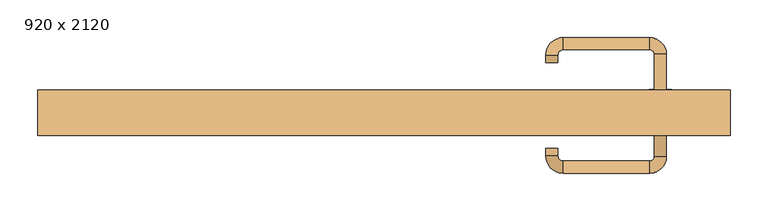
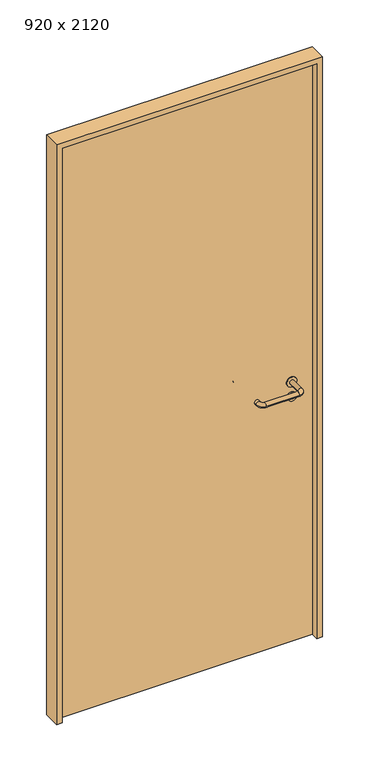
"""IFC4 building model written with IfcOpenShell, lengths in millimetres: door geometry, 920 x 2120."""

import ifcopenshell
import ifcopenshell.guid

model = None  # the IFC model being written
_history = None  # IfcOwnerHistory: only IFC2X3 demands one
_inside = {}  # id of a spatial element -> (the spatial element, [elements in it])
_under = {}  # id of a project, library or spatial element -> (it, [spatial elements below it])
_declared = {}  # id of a project -> (the project, [libraries it declares])
_typed = {}  # id of a type object -> (the type object, [elements of that type])
_made_of = {}  # id of a material, layer set ... -> (it, [elements and type objects made of it])


def new_model(schema):
    """Start an empty IFC model of exactly this schema.

    Asked for "IFC4X3", IfcOpenShell would pick the latest addendum, in which some entities
    have other attributes; the version numbers below select the first issue.
    IFC2X3 requires an IfcOwnerHistory on every rooted entity: one is made here for all.
    """
    global model, _history
    if schema == "IFC4X3":
        model = ifcopenshell.file(schema_version=(4, 3, 0, 0))
    else:
        model = ifcopenshell.file(schema=schema)
    _inside.clear()
    _under.clear()
    _declared.clear()
    _typed.clear()
    _made_of.clear()
    _history = None
    if model.schema == "IFC2X3":
        org = make("IfcOrganization", Name="unknown")
        user = make(
            "IfcPersonAndOrganization",
            ThePerson=make("IfcPerson", FamilyName="unknown"),
            TheOrganization=org,
        )
        app = make(
            "IfcApplication",
            ApplicationDeveloper=org,
            Version="unknown",
            ApplicationFullName="unknown",
            ApplicationIdentifier="unknown",
        )
        _history = make(
            "IfcOwnerHistory",
            OwningUser=user,
            OwningApplication=app,
            ChangeAction="ADDED",
            CreationDate=0,
        )
    return model


def make(cls, **values):
    """One entity of the class cls with the attributes given. An attribute that is None is left unset."""
    return model.create_entity(
        cls, **{name: value for name, value in values.items() if value is not None}
    )


def rooted(cls, **values):
    """An entity with a GlobalId (a new one), such as an element, a storey or a relation."""
    return make(cls, GlobalId=ifcopenshell.guid.new(), OwnerHistory=_history, **values)


def si_unit(unit_type, name, prefix=None):
    """IfcSIUnit, for example si_unit("LENGTHUNIT", "METRE", prefix="MILLI")."""
    return make("IfcSIUnit", UnitType=unit_type, Prefix=prefix, Name=name)


def assignment(units):
    """IfcUnitAssignment: the units of a project."""
    return None if units is None else make("IfcUnitAssignment", Units=units)


def point(xyz):
    """IfcCartesianPoint."""
    return None if xyz is None else make("IfcCartesianPoint", Coordinates=xyz)


def direction(xyz):
    """IfcDirection."""
    return None if xyz is None else make("IfcDirection", DirectionRatios=xyz)


def frame(location, z_axis=None, x_axis=None):
    """IfcAxis2Placement3D, a coordinate frame: its origin and axes. An axis left out is left unset."""
    return make(
        "IfcAxis2Placement3D",
        Location=point(location),
        Axis=direction(z_axis),
        RefDirection=direction(x_axis),
    )


def frame_2d(location, x_axis=None):
    """IfcAxis2Placement2D, a coordinate frame in the plane: its origin and x axis."""
    return make(
        "IfcAxis2Placement2D", Location=point(location), RefDirection=direction(x_axis)
    )


def origin():
    """The frame at (0, 0, 0) with its axes left unset."""
    return frame((0.0, 0.0, 0.0))


def origin_with_axes():
    """The frame at (0, 0, 0) with the z axis (0, 0, 1) and the x axis (1, 0, 0) written out."""
    return frame((0.0, 0.0, 0.0), z_axis=(0.0, 0.0, 1.0), x_axis=(1.0, 0.0, 0.0))


def place(relative_to, where):
    """IfcLocalPlacement: puts the frame where relative to a parent placement (None: the world)."""
    return make(
        "IfcLocalPlacement", PlacementRelTo=relative_to, RelativePlacement=where
    )


def context(
    kind, dimensions, precision=None, world=None, true_north=None, identifier=None
):
    """IfcGeometricRepresentationContext, for example the 3D "Model" context."""
    return make(
        "IfcGeometricRepresentationContext",
        ContextIdentifier=identifier,
        ContextType=kind,
        CoordinateSpaceDimension=dimensions,
        Precision=precision,
        WorldCoordinateSystem=world,
        TrueNorth=true_north,
    )


def project(units=None, contexts=None):
    """IfcProject with its units and contexts."""
    return rooted(
        "IfcProject",
        Name="project",
        RepresentationContexts=contexts,
        UnitsInContext=assignment(units),
    )


def spatial(cls, under=None, at=None, **own):
    """A site, building, storey or space (cls), placed at a placement, below another one or the project."""
    s = rooted(cls, ObjectPlacement=at, **own)
    if under is not None:
        _under.setdefault(under.id(), (under, []))[1].append(s)
    return s


def polyline(points):
    """IfcPolyline through the points."""
    return make("IfcPolyline", Points=[point(p) for p in points])


def circle_curve(where, radius):
    """IfcCircle in the frame where."""
    return make("IfcCircle", Position=where, Radius=radius)


def ellipse_curve(where, semi_axis1, semi_axis2):
    """IfcEllipse in the frame where."""
    return make(
        "IfcEllipse", Position=where, SemiAxis1=semi_axis1, SemiAxis2=semi_axis2
    )


def trimmed(basis, trim1, trim2, sense, master):
    """IfcTrimmedCurve: the piece of a basis curve between two trims."""
    return make(
        "IfcTrimmedCurve",
        BasisCurve=basis,
        Trim1=trim1,
        Trim2=trim2,
        SenseAgreement=sense,
        MasterRepresentation=master,
    )


def segment(curve, same_sense, transition):
    """IfcCompositeCurveSegment."""
    return make(
        "IfcCompositeCurveSegment",
        Transition=transition,
        SameSense=same_sense,
        ParentCurve=curve,
    )


def composite_curve(segments, self_intersect=None):
    """IfcCompositeCurve: segments joined end to end."""
    return make("IfcCompositeCurve", Segments=segments, SelfIntersect=self_intersect)


def outline(outer, holes=None, kind="AREA"):
    """IfcArbitraryClosedProfileDef: a profile drawn as a closed curve; with holes, ...WithVoids."""
    if holes is None:
        return make("IfcArbitraryClosedProfileDef", ProfileType=kind, OuterCurve=outer)
    return make(
        "IfcArbitraryProfileDefWithVoids",
        ProfileType=kind,
        OuterCurve=outer,
        InnerCurves=holes,
    )


def extrude(swept, where, along, depth):
    """IfcExtrudedAreaSolid: the profile swept, set in the frame where, extruded along a direction by depth."""
    return make(
        "IfcExtrudedAreaSolid",
        SweptArea=swept,
        Position=where,
        ExtrudedDirection=direction(along),
        Depth=depth,
    )


def shape(context_of_items, identifier, shape_type, items):
    """IfcShapeRepresentation: the items that make up one representation, for example the "Body"."""
    return make(
        "IfcShapeRepresentation",
        ContextOfItems=context_of_items,
        RepresentationIdentifier=identifier,
        RepresentationType=shape_type,
        Items=items,
    )


def source(mapping_origin, context_of_items, identifier, shape_type, items):
    """IfcRepresentationMap: a shape defined once, which mapped items show again and again."""
    return make(
        "IfcRepresentationMap",
        MappingOrigin=mapping_origin,
        MappedRepresentation=shape(context_of_items, identifier, shape_type, items),
    )


def transform(
    local_origin,
    x_axis=None,
    y_axis=None,
    z_axis=None,
    scale=None,
    scale2=None,
    scale3=None,
    uniform=True,
):
    """IfcCartesianTransformationOperator3D, or its non-uniform kind. x_axis, y_axis, z_axis: its Axis1, 2, 3."""
    if uniform:
        return make(
            "IfcCartesianTransformationOperator3D",
            Axis1=direction(x_axis),
            Axis2=direction(y_axis),
            LocalOrigin=point(local_origin),
            Scale=scale,
            Axis3=direction(z_axis),
        )
    return make(
        "IfcCartesianTransformationOperator3DnonUniform",
        Axis1=direction(x_axis),
        Axis2=direction(y_axis),
        LocalOrigin=point(local_origin),
        Scale=scale,
        Axis3=direction(z_axis),
        Scale2=scale2,
        Scale3=scale3,
    )


def mapped(mapping_source, mapping_target):
    """IfcMappedItem: shows the shape of a source again, moved by a transform."""
    return make(
        "IfcMappedItem", MappingSource=mapping_source, MappingTarget=mapping_target
    )


def made_of(thing, what):
    """Note that an element or type object is made of a material, layer set ...; save() writes the relation."""
    if what is not None:
        _made_of.setdefault(what.id(), (what, []))[1].append(thing)
    return thing


def element(
    cls,
    number,
    at=None,
    inside=None,
    cuts=None,
    type_object=None,
    material=None,
    context=None,
    identifier="Body",
    shape_type=None,
    held_by="IfcProductDefinitionShape",
    body=None,
    shapes=None,
    **own,
):
    """One element of the class cls, such as IfcWall. Its Tag is "e" and its number.

    at: its placement. inside: the storey or other place that contains it. cuts: it is an
    opening in that element (IfcRelVoidsElement). A single representation is given by context,
    identifier, shape_type and body (its items); several are given by shapes. held_by: the class
    of the entity that holds the representations. save() writes the other relations.
    """
    e = rooted(cls, Tag="e%d" % number, ObjectPlacement=at, **own)
    if body is not None:
        shapes = [shape(context, identifier, shape_type, body)]
    if shapes is not None:
        e.Representation = make(held_by, Representations=shapes)
    if inside is not None:
        _inside.setdefault(inside.id(), (inside, []))[1].append(e)
    if cuts is not None:
        rooted(
            "IfcRelVoidsElement", RelatingBuildingElement=cuts, RelatedOpeningElement=e
        )
    if type_object is not None:
        _typed.setdefault(type_object.id(), (type_object, []))[1].append(e)
    return made_of(e, material)


def aggregate(whole, parts):
    """IfcRelAggregates: a whole, such as a stair, and the parts it consists of."""
    return rooted("IfcRelAggregates", RelatingObject=whole, RelatedObjects=parts)


def save(model, path):
    """Write the relations noted so far, then the file.

    IfcRelAggregates (storeys below a building ...), IfcRelContainedInSpatialStructure (elements
    in a storey), IfcRelDefinesByType, IfcRelAssociatesMaterial and IfcRelDeclares: one each for
    every whole, place, type object, material and project.
    """
    for whole, parts in _under.values():
        aggregate(whole, parts)
    for where, things in _inside.values():
        rooted(
            "IfcRelContainedInSpatialStructure",
            RelatedElements=things,
            RelatingStructure=where,
        )
    for kind, things in _typed.values():
        rooted("IfcRelDefinesByType", RelatedObjects=things, RelatingType=kind)
    for what, things in _made_of.values():
        rooted("IfcRelAssociatesMaterial", RelatedObjects=things, RelatingMaterial=what)
    for by, libraries in _declared.values():
        rooted("IfcRelDeclares", RelatingContext=by, RelatedDefinitions=libraries)
    model.write(path)


def plane_surface(at):
    """IfcPlane: the flat surface through the origin of the frame at, square to its z axis."""
    return make("IfcPlane", Position=at)


def cylinder_surface(at, radius):
    """IfcCylindricalSurface: all points at the distance radius from the z axis of the frame at."""
    return make("IfcCylindricalSurface", Position=at, Radius=radius)


def revolved_surface(curve, axis_point, axis_direction):
    """IfcSurfaceOfRevolution: the curve turned about the line through axis_point along axis_direction."""
    return make(
        "IfcSurfaceOfRevolution",
        SweptCurve=make("IfcArbitraryOpenProfileDef", ProfileType="CURVE", Curve=curve),
        AxisPosition=make("IfcAxis1Placement", Location=point(axis_point), Axis=direction(axis_direction)),
    )


def advanced_brep(points, edges, surfaces, faces):
    """IfcAdvancedBrep: a solid bounded by faces that lie on surfaces and meet in shared edges.

    An edge is (start, end): straight between two places in points (the first is 0);
    or (start, end, curve); or (start, end, curve, False) where it runs against its curve.
    A face is (place in surfaces, loops), or (place, loops, False) where it looks against
    its surface's normal. A loop lists edges by number (the first is 1), with a minus sign
    where the edge is run from its end to its start. The first loop is the outer one.
    """
    corners = [point(p) for p in points]
    vertices = [make("IfcVertexPoint", VertexGeometry=c) for c in corners]
    made = []
    for start, end, *more in edges:
        made.append(
            make(
                "IfcEdgeCurve",
                EdgeStart=vertices[start],
                EdgeEnd=vertices[end],
                EdgeGeometry=more[0] if more else make("IfcPolyline", Points=[corners[start], corners[end]]),
                SameSense=more[1] if len(more) > 1 else True,
            )
        )
    hull = []
    for where, loops, *sense in faces:
        bounds = []
        for j, loop in enumerate(loops):
            ring = [make("IfcOrientedEdge", EdgeElement=made[abs(k) - 1], Orientation=k > 0) for k in loop]
            bounds.append(
                make(
                    "IfcFaceOuterBound" if j == 0 else "IfcFaceBound",
                    Bound=make("IfcEdgeLoop", EdgeList=ring),
                    Orientation=True,
                )
            )
        hull.append(make("IfcAdvancedFace", Bounds=bounds, FaceSurface=surfaces[where], SameSense=sense[0] if sense else True))
    return make("IfcAdvancedBrep", Outer=make("IfcClosedShell", CfsFaces=hull))


def door_920_x_2120_8991877b(model_context):
    return source(origin(), model_context, "Body", "SolidModel", [
        extrude(outline(composite_curve([segment(trimmed(circle_curve(frame_2d((897.3605726, 367.0)), 15.0), [point((897.3605726, 382.0))], [point((897.3605726, 352.0))], False, "CARTESIAN"), True, "CONTINUOUS"), segment(trimmed(circle_curve(frame_2d((897.3605726, 367.0)), 15.0), [point((897.3605726, 352.0))], [point((897.3605726, 382.0))], False, "CARTESIAN"), True, "CONTINUOUS")], self_intersect=False), holes=[composite_curve([segment(trimmed(circle_curve(frame_2d((892.5833211, 366.9398032)), 2.0), [point((892.5833211, 368.9398032))], [point((892.5833211, 364.9398032))], True, "CARTESIAN"), True, "CONTINUOUS"), segment(polyline([(892.5833211, 364.9398032), (902.5833211, 364.9398032)]), True, "CONTINUOUS"), segment(trimmed(circle_curve(frame_2d((902.5833211, 366.9398032)), 2.0), [point((902.5833211, 364.9398032))], [point((902.5833211, 368.9398032))], True, "CARTESIAN"), True, "CONTINUOUS"), segment(polyline([(902.5833211, 368.9398032), (892.5833211, 368.9398032)]), True, "CONTINUOUS")], self_intersect=False)]), frame((0.0, 93.65, 0.0), z_axis=(0.0, 1.0, 0.0), x_axis=(0.0, 0.0, 1.0)), (0.0, 0.0, 1.0), 6.35),
        extrude(outline(composite_curve([segment(trimmed(circle_curve(frame_2d((950.0, 367.0)), 17.526), [point((950.0, 384.526))], [point((950.0, 349.474))], False, "CARTESIAN"), True, "CONTINUOUS"), segment(trimmed(circle_curve(frame_2d((950.0, 367.0)), 17.526), [point((950.0, 349.474))], [point((950.0, 384.526))], False, "CARTESIAN"), True, "CONTINUOUS")], self_intersect=False)), frame((0.0, 96.825, 0.0), z_axis=(0.0, 1.0, 0.0), x_axis=(0.0, 0.0, 1.0)), (0.0, 0.0, 1.0), 3.175),
        advanced_brep(
        [(375.0, 100.0, 950.0), (359.0, 100.0, 950.0), (359.0, 47.0, 950.0), (375.0, 47.0, 950.0), (352.8578644, 40.8578644, 950.0), (352.8578644, 24.8578644, 950.0), (237.8578644, 40.8578644, 950.0), (237.8578644, 24.8578644, 950.0), (231.008622, 47.7071068, 950.0), (215.008622, 47.7071068, 950.0), (215.008622, 57.7071068, 950.0), (231.008622, 57.7071068, 950.0)],
        [
            (0, 1, circle_curve(frame((367.0, 100.0, 950.0), z_axis=(0.0, 1.0, 0.0), x_axis=(-1.0, 0.0, 0.0)), 8.0)),
            (1, 0, circle_curve(frame((367.0, 100.0, 950.0), z_axis=(0.0, 1.0, 0.0), x_axis=(-1.0, 0.0, 0.0)), 8.0)),
            (1, 2),
            (2, 3, circle_curve(frame((367.0, 47.0, 950.0), z_axis=(0.0, 1.0, 0.0), x_axis=(-1.0, 0.0, 0.0)), 8.0)),
            (3, 0),
            (3, 2, circle_curve(frame((367.0, 47.0, 950.0), z_axis=(0.0, 1.0, 0.0), x_axis=(-1.0, 0.0, 0.0)), 8.0)),
            (4, 5, circle_curve(frame((352.8578644, 32.8578644, 950.0), z_axis=(1.0, 0.0, 0.0), x_axis=(0.0, 1.0, 0.0)), 8.0)),
            (5, 3, circle_curve(frame((352.8578644, 47.0, 950.0), z_axis=(0.0, 0.0, 1.0), x_axis=(1.0, 0.0, 0.0)), 22.1421356)),
            (2, 4, circle_curve(frame((352.8578644, 47.0, 950.0), z_axis=(0.0, 0.0, -1.0), x_axis=(1.0, 0.0, 0.0)), 6.1421356)),
            (5, 4, circle_curve(frame((352.8578644, 32.8578644, 950.0), z_axis=(1.0, 0.0, 0.0), x_axis=(0.0, 1.0, 0.0)), 8.0)),
            (4, 6),
            (6, 7, circle_curve(frame((237.8578644, 32.8578644, 950.0), z_axis=(1.0, 0.0, 0.0), x_axis=(0.0, 1.0, 0.0)), 8.0)),
            (7, 5),
            (7, 6, circle_curve(frame((237.8578644, 32.8578644, 950.0), z_axis=(1.0, 0.0, 0.0), x_axis=(0.0, 1.0, 0.0)), 8.0)),
            (8, 9, circle_curve(frame((223.008622, 47.7071068, 950.0), z_axis=(0.0, -1.0, 0.0), x_axis=(1.0, 0.0, 0.0)), 8.0)),
            (9, 7, circle_curve(frame((237.8578644, 47.7071068, 950.0), z_axis=(0.0, 0.0, 1.0), x_axis=(0.0, -1.0, 0.0)), 22.8492424)),
            (6, 8, circle_curve(frame((237.8578644, 47.7071068, 950.0), z_axis=(0.0, 0.0, -1.0), x_axis=(0.0, -1.0, 0.0)), 6.8492424)),
            (9, 8, circle_curve(frame((223.008622, 47.7071068, 950.0), z_axis=(0.0, -1.0, 0.0), x_axis=(1.0, 0.0, 0.0)), 8.0)),
            (10, 11, circle_curve(frame((223.008622, 57.7071068, 950.0), z_axis=(0.0, 1.0, 0.0), x_axis=(1.0, 0.0, 0.0)), 8.0)),
            (11, 10, circle_curve(frame((223.008622, 57.7071068, 950.0), z_axis=(0.0, 1.0, 0.0), x_axis=(1.0, 0.0, 0.0)), 8.0)),
            (8, 11),
            (10, 9),
        ],
        [
            plane_surface(frame((367.0, 100.0, 0.0), z_axis=(0.0, 1.0, 0.0), x_axis=(0.0, 0.0, 1.0))),
            cylinder_surface(frame((367.0, 100.0, 950.0), z_axis=(0.0, 1.0, 0.0), x_axis=(-1.0, 0.0, 0.0)), 8.0),
            revolved_surface(trimmed(ellipse_curve(frame((367.0, 47.0, 950.0), z_axis=(0.0, -1.0, 0.0), x_axis=(-1.0, 0.0, 0.0)), 8.0, 8.0), [point((375.0, 47.0, 950.0))], [point((359.0, 47.0, 950.0))], True, "CARTESIAN"), (352.8578644, 47.0, 0.0), (0.0, 0.0, 1.0)),
            revolved_surface(trimmed(ellipse_curve(frame((367.0, 47.0, 950.0), z_axis=(0.0, -1.0, 0.0), x_axis=(-1.0, 0.0, 0.0)), 8.0, 8.0), [point((359.0, 47.0, 950.0))], [point((375.0, 47.0, 950.0))], True, "CARTESIAN"), (352.8578644, 47.0, 0.0), (0.0, 0.0, 1.0)),
            cylinder_surface(frame((352.8578644, 32.8578644, 950.0), z_axis=(1.0, 0.0, 0.0), x_axis=(0.0, 1.0, 0.0)), 8.0),
            revolved_surface(trimmed(ellipse_curve(frame((237.8578644, 32.8578644, 950.0), z_axis=(-1.0, 0.0, 0.0), x_axis=(0.0, 1.0, 0.0)), 8.0, 8.0), [point((237.8578644, 24.8578644, 950.0))], [point((237.8578644, 40.8578644, 950.0))], True, "CARTESIAN"), (237.8578644, 47.7071068, 0.0), (0.0, 0.0, 1.0)),
            revolved_surface(trimmed(ellipse_curve(frame((237.8578644, 32.8578644, 950.0), z_axis=(-1.0, 0.0, 0.0), x_axis=(0.0, 1.0, 0.0)), 8.0, 8.0), [point((237.8578644, 40.8578644, 950.0))], [point((237.8578644, 24.8578644, 950.0))], True, "CARTESIAN"), (237.8578644, 47.7071068, 0.0), (0.0, 0.0, 1.0)),
            plane_surface(frame((223.008622, 57.7071068, 0.0), z_axis=(0.0, 1.0, 0.0), x_axis=(0.0, 0.0, 1.0))),
            cylinder_surface(frame((223.008622, 47.7071068, 950.0), z_axis=(0.0, -1.0, 0.0), x_axis=(1.0, 0.0, 0.0)), 8.0),
        ],
        [
            (0, [[1, 2]]),
            (1, [[3, 4, 5, -2]]),
            (1, [[-5, 6, -3, -1]]),
            (2, [[7, 8, -4, 9]]),
            (3, [[10, -9, -6, -8]]),
            (4, [[11, 12, 13, -7]]),
            (4, [[-13, 14, -11, -10]]),
            (5, [[15, 16, -12, 17]]),
            (6, [[18, -17, -14, -16]]),
            (7, [[19, 20]]),
            (8, [[21, -19, 22, -15]]),
            (8, [[-22, -20, -21, -18]]),
        ],
    ),
        extrude(outline(composite_curve([segment(trimmed(circle_curve(frame_2d((0.0, -15.0)), 15.0), [point((0.0, -30.0))], [point((0.0, 0.0))], False, "CARTESIAN"), True, "CONTINUOUS"), segment(trimmed(circle_curve(frame_2d((0.0, -15.0)), 15.0), [point((0.0, 0.0))], [point((0.0, -30.0))], False, "CARTESIAN"), True, "CONTINUOUS")], self_intersect=False), holes=[composite_curve([segment(trimmed(circle_curve(frame_2d((4.7772515, -14.9398032)), 2.0), [point((4.7772515, -16.9398032))], [point((4.7772515, -12.9398032))], True, "CARTESIAN"), True, "CONTINUOUS"), segment(polyline([(4.7772515, -12.9398032), (-5.2227485, -12.9398032)]), True, "CONTINUOUS"), segment(trimmed(circle_curve(frame_2d((-5.2227485, -14.9398032)), 2.0), [point((-5.2227485, -12.9398032))], [point((-5.2227485, -16.9398032))], True, "CARTESIAN"), True, "CONTINUOUS"), segment(polyline([(-5.2227485, -16.9398032), (4.7772515, -16.9398032)]), True, "CONTINUOUS")], self_intersect=False)]), frame((352.0, 130.0, 897.3605726), z_axis=(1.8870575173328306e-12, 1.0, 0.0), x_axis=(0.0, 0.0, -1.0)), (0.0, 0.0, 1.0), 6.35),
        extrude(outline(composite_curve([segment(trimmed(circle_curve(frame_2d((0.0, -17.526)), 17.526), [point((0.0, -35.052))], [point((0.0, 0.0))], False, "CARTESIAN"), True, "CONTINUOUS"), segment(trimmed(circle_curve(frame_2d((0.0, -17.526)), 17.526), [point((0.0, 0.0))], [point((0.0, -35.052))], False, "CARTESIAN"), True, "CONTINUOUS")], self_intersect=False)), frame((349.474, 130.0, 950.0), z_axis=(1.8870575173328306e-12, 1.0, 0.0), x_axis=(0.0, 0.0, -1.0)), (0.0, 0.0, 1.0), 3.175),
        advanced_brep(
        [(375.0, 130.0, 950.0), (359.0, 130.0, 950.0), (375.0, 183.0, 950.0), (359.0, 183.0, 950.0), (352.8578644, 189.1421356, 950.0), (352.8578644, 205.1421356, 950.0), (237.8578644, 205.1421356, 950.0), (237.8578644, 189.1421356, 950.0), (231.008622, 182.2928932, 950.0), (215.008622, 182.2928932, 950.0), (215.008622, 172.2928932, 950.0), (231.008622, 172.2928932, 950.0)],
        [
            (0, 1, circle_curve(frame((367.0, 130.0, 950.0), z_axis=(-1.888672253512351e-12, -1.0, 0.0), x_axis=(-1.0, 1.888672253512351e-12, 0.0)), 8.0)),
            (1, 0, circle_curve(frame((367.0, 130.0, 950.0), z_axis=(-1.888672253512351e-12, -1.0, 0.0), x_axis=(-1.0, 1.888672253512351e-12, 0.0)), 8.0)),
            (0, 2),
            (2, 3, circle_curve(frame((367.0, 183.0, 950.0), z_axis=(-1.888672253512351e-12, -1.0, 0.0), x_axis=(-1.0, 1.888672253512351e-12, 0.0)), 8.0)),
            (3, 1),
            (3, 2, circle_curve(frame((367.0, 183.0, 950.0), z_axis=(-1.888672253512351e-12, -1.0, 0.0), x_axis=(-1.0, 1.888672253512351e-12, 0.0)), 8.0)),
            (4, 3, circle_curve(frame((352.8578644, 183.0, 950.0), z_axis=(0.0, 0.0, -1.0), x_axis=(1.0, -1.880717803715015e-12, 0.0)), 6.1421356)),
            (2, 5, circle_curve(frame((352.8578644, 183.0, 950.0), z_axis=(0.0, 0.0, 1.0), x_axis=(1.0, -1.880717803715015e-12, 0.0)), 22.1421356)),
            (5, 4, circle_curve(frame((352.8578644, 197.1421356, 950.0), z_axis=(1.0, -1.913702061528922e-12, 0.0), x_axis=(-1.913702061528922e-12, -1.0, 0.0)), 8.0)),
            (4, 5, circle_curve(frame((352.8578644, 197.1421356, 950.0), z_axis=(1.0, -1.913702061528922e-12, 0.0), x_axis=(-1.913702061528922e-12, -1.0, 0.0)), 8.0)),
            (5, 6),
            (6, 7, circle_curve(frame((237.8578644, 197.1421356, 950.0), z_axis=(1.0, -1.913719828541269e-12, 0.0), x_axis=(-1.913719828541269e-12, -1.0, 0.0)), 8.0)),
            (7, 4),
            (7, 6, circle_curve(frame((237.8578644, 197.1421356, 950.0), z_axis=(1.0, -1.913719828541269e-12, 0.0), x_axis=(-1.913719828541269e-12, -1.0, 0.0)), 8.0)),
            (8, 7, circle_curve(frame((237.8578644, 182.2928932, 950.0), z_axis=(0.0, 0.0, -1.0), x_axis=(1.9120873253494017e-12, 1.0, 0.0)), 6.8492424)),
            (6, 9, circle_curve(frame((237.8578644, 182.2928932, 950.0), z_axis=(0.0, 0.0, 1.0), x_axis=(1.9120873253494017e-12, 1.0, 0.0)), 22.8492424)),
            (9, 8, circle_curve(frame((223.008622, 182.2928932, 950.0), z_axis=(1.890448610351751e-12, 1.0, 0.0), x_axis=(1.0, -1.890448610351751e-12, 0.0)), 8.0)),
            (8, 9, circle_curve(frame((223.008622, 182.2928932, 950.0), z_axis=(1.8888942981172756e-12, 1.0, 0.0), x_axis=(1.0, -1.8888942981172756e-12, 0.0)), 8.0)),
            (10, 11, circle_curve(frame((223.008622, 172.2928932, 950.0), z_axis=(-1.8903642334018795e-12, -1.0, 0.0), x_axis=(1.0, -1.8903642334018795e-12, 0.0)), 8.0)),
            (11, 10, circle_curve(frame((223.008622, 172.2928932, 950.0), z_axis=(-1.8903642334018795e-12, -1.0, 0.0), x_axis=(1.0, -1.8903642334018795e-12, 0.0)), 8.0)),
            (9, 10),
            (11, 8),
        ],
        [
            plane_surface(frame((367.0, 130.0, 0.0), z_axis=(-1.8870575173328306e-12, -1.0, 0.0), x_axis=(0.0, 0.0, 1.0))),
            cylinder_surface(frame((367.0, 130.0, 950.0), z_axis=(-1.888672253512351e-12, -1.0, 0.0), x_axis=(-1.0, 1.888672253512351e-12, 0.0)), 8.0),
            revolved_surface(trimmed(ellipse_curve(frame((367.0, 183.0, 950.0), z_axis=(-1.8823325398945356e-12, -1.0, 0.0), x_axis=(-1.0, 1.8823325398945356e-12, 0.0)), 8.0, 8.0), [point((375.0, 183.0, 950.0))], [point((359.0, 183.0, 950.0))], True, "CARTESIAN"), (352.8578644, 183.0, 0.0), (0.0, 0.0, 1.0)),
            revolved_surface(trimmed(ellipse_curve(frame((367.0, 183.0, 950.0), z_axis=(-1.8823325398945356e-12, -1.0, 0.0), x_axis=(-1.0, 1.8823325398945356e-12, 0.0)), 8.0, 8.0), [point((359.0, 183.0, 950.0))], [point((375.0, 183.0, 950.0))], True, "CARTESIAN"), (352.8578644, 183.0, 0.0), (0.0, 0.0, 1.0)),
            cylinder_surface(frame((352.8578644, 197.1421356, 950.0), z_axis=(1.0, -1.913719828541269e-12, 0.0), x_axis=(-1.913719828541269e-12, -1.0, 0.0)), 8.0),
            revolved_surface(trimmed(ellipse_curve(frame((237.8578644, 197.1421356, 950.0), z_axis=(1.0, -1.913702061528922e-12, 0.0), x_axis=(-1.913702061528922e-12, -1.0, 0.0)), 8.0, 8.0), [point((237.8578644, 205.1421356, 950.0))], [point((237.8578644, 189.1421356, 950.0))], True, "CARTESIAN"), (237.8578644, 182.2928932, 0.0), (0.0, 0.0, 1.0)),
            revolved_surface(trimmed(ellipse_curve(frame((237.8578644, 197.1421356, 950.0), z_axis=(1.0, -1.913702061528922e-12, 0.0), x_axis=(-1.913702061528922e-12, -1.0, 0.0)), 8.0, 8.0), [point((237.8578644, 189.1421356, 950.0))], [point((237.8578644, 205.1421356, 950.0))], True, "CARTESIAN"), (237.8578644, 182.2928932, 0.0), (0.0, 0.0, 1.0)),
            plane_surface(frame((223.008622, 172.2928932, 0.0), z_axis=(-1.8887494972223595e-12, -1.0, 0.0), x_axis=(0.0, 0.0, 1.0))),
            cylinder_surface(frame((223.008622, 182.2928932, 950.0), z_axis=(1.8903642334018795e-12, 1.0, 0.0), x_axis=(1.0, -1.8903642334018795e-12, 0.0)), 8.0),
        ],
        [
            (0, [[1, 2]]),
            (1, [[-1, 3, 4, 5]]),
            (1, [[-2, -5, 6, -3]]),
            (2, [[7, -4, 8, 9]]),
            (3, [[-8, -6, -7, 10]]),
            (4, [[-9, 11, 12, 13]]),
            (4, [[-10, -13, 14, -11]]),
            (5, [[15, -12, 16, 17]]),
            (6, [[-16, -14, -15, 18]]),
            (7, [[19, 20]]),
            (8, [[-17, 21, -20, 22]]),
            (8, [[-18, -22, -19, -21]]),
        ],
    ),
        extrude(outline(polyline([(2100.0, 440.0), (0.0, 440.0), (0.0, 460.0), (2120.0, 460.0), (2120.0, -460.0), (0.0, -460.0), (0.0, -440.0), (2100.0, -440.0), (2100.0, 440.0)])), frame((0.0, 75.0, 0.0), z_axis=(0.0, 1.0, 0.0), x_axis=(0.0, 0.0, 1.0)), (0.0, 0.0, 1.0), 60.0),
        extrude(outline(polyline([(-440.0, 130.0), (440.0, 130.0), (440.0, 100.0), (-440.0, 100.0), (-440.0, 130.0)])), origin_with_axes(), (0.0, 0.0, 1.0), 2100.0),
    ])


if __name__ == "__main__":
    model = new_model("IFC4")
    model_context = context("Model", 3, world=origin())
    ifc_project = project(units=[si_unit("LENGTHUNIT", "METRE", prefix="MILLI")], contexts=[model_context])
    site = spatial("IfcSite", under=ifc_project)
    building = spatial("IfcBuilding", under=site)
    placement = place(None, origin())
    door_920_x_2120_shape = door_920_x_2120_8991877b(model_context)
    element("IfcDoor", 1, ObjectType="920 x 2120", at=placement, inside=building, context=model_context, shape_type="MappedRepresentation", body=[
        mapped(door_920_x_2120_shape, transform((0.0, 0.0, 0.0), x_axis=(1.0, 0.0, 0.0), y_axis=(0.0, 1.0, 0.0), z_axis=(0.0, 0.0, 1.0))),
    ])
    save(model, "model.ifc")
